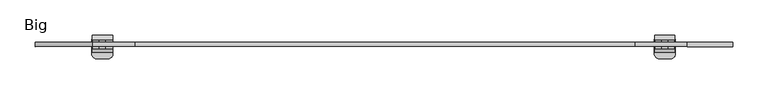
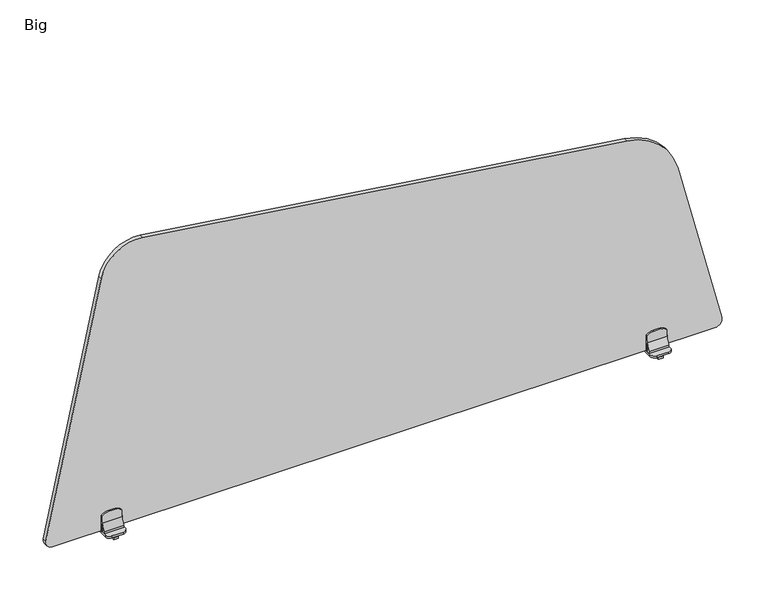
"""IFC4 building model written with IfcOpenShell, lengths in millimetres: furniture geometry, Big."""

from ifc_helpers import new_model, si_unit, point, frame, frame_2d, origin, place, context, project, spatial, polyline, circle_curve, trimmed, segment, composite_curve, outline, extrude, source, transform, mapped, element, save


def big_84f01187(model_context):
    return source(origin(), model_context, "Body", "SweptSolid", [
        extrude(outline(composite_curve([segment(polyline([(1219.089365, 352.8879495), (1318.1331868, -358.9076288)]), True, "CONTINUOUS"), segment(trimmed(circle_curve(frame_2d((1263.6580253, -366.4876537)), 55.0), [point((1318.1331868, -358.9076288))], [point((1275.1791226, -420.2674298))], False, "CARTESIAN"), True, "CONTINUOUS"), segment(polyline([(1275.1791226, -420.2674298), (895.5092393, -501.6030911)]), True, "CONTINUOUS"), segment(trimmed(circle_curve(frame_2d((893.4144944, -491.82495)), 10.0), [point((895.5092393, -501.6030911))], [point((883.4144944, -491.824876))], False, "CARTESIAN"), True, "CONTINUOUS"), segment(polyline([(883.4144944, -491.824876), (883.4217084, 483.0511915)]), True, "CONTINUOUS"), segment(trimmed(circle_curve(frame_2d((893.4217084, 483.0511175)), 10.0), [point((883.4217084, 483.0511915))], [point((895.8817167, 492.7438136))], False, "CARTESIAN"), True, "CONTINUOUS"), segment(polyline([(895.8817167, 492.7438136), (1152.0882663, 427.718538)]), True, "CONTINUOUS"), segment(trimmed(circle_curve(frame_2d((1129.9481916, 340.4842725)), 90.0), [point((1152.0882663, 427.718538))], [point((1219.089365, 352.8879495))], False, "CARTESIAN"), True, "CONTINUOUS")], self_intersect=False)), frame((0.0, -28.4898924, 0.0), z_axis=(0.0, 1.0, 0.0), x_axis=(0.0, 0.0, 1.0)), (0.0, 0.0, 1.0), 6.0025633),
        extrude(outline(composite_curve([segment(trimmed(circle_curve(frame_2d((897.1869989, 400.4004128)), 14.2267735), [point((907.377178, 410.3282189))], [point((911.4137724, 400.4004128))], False, "CARTESIAN"), True, "CONTINUOUS"), segment(polyline([(911.4137724, 400.4004128), (911.4137724, 391.2050984)]), True, "CONTINUOUS"), segment(trimmed(circle_curve(frame_2d((896.9968668, 391.2050984)), 14.4169056), [point((911.4137724, 391.2050984))], [point((907.4675743, 381.2949293))], False, "CARTESIAN"), True, "CONTINUOUS"), segment(polyline([(907.4675743, 381.2949293), (883.4201418, 380.8608905), (883.4201418, 410.7463905), (907.377178, 410.3282189)]), True, "CONTINUOUS")], self_intersect=False)), frame((0.0, -22.4873291, 0.0), z_axis=(0.0, 1.0, 0.0), x_axis=(0.0, 0.0, 1.0)), (0.0, 0.0, 1.0), 2.999334),
        extrude(outline(composite_curve([segment(trimmed(circle_curve(frame_2d((897.1869989, 400.4004128)), 14.2267735), [point((907.377178, 410.3282189))], [point((911.4137724, 400.4004128))], False, "CARTESIAN"), True, "CONTINUOUS"), segment(polyline([(911.4137724, 400.4004128), (911.4137724, 391.2050984)]), True, "CONTINUOUS"), segment(trimmed(circle_curve(frame_2d((896.9968668, 391.2050984)), 14.4169056), [point((911.4137724, 391.2050984))], [point((907.4675743, 381.2949293))], False, "CARTESIAN"), True, "CONTINUOUS"), segment(polyline([(907.4675743, 381.2949293), (883.4201418, 380.8608905), (883.4201418, 410.7463905), (907.377178, 410.3282189)]), True, "CONTINUOUS")], self_intersect=False)), frame((0.0, -31.4873291, 0.0), z_axis=(0.0, 1.0, 0.0), x_axis=(0.0, 0.0, 1.0)), (0.0, 0.0, 1.0), 2.9974367),
        extrude(outline(composite_curve([segment(polyline([(-31.4729248, 883.4201418), (-36.5211722, 883.4201418), (-36.5211722, 886.6703705)]), True, "CONTINUOUS"), segment(trimmed(circle_curve(frame_2d((-54.8344291, 901.1750078)), 23.3615043), [point((-36.5211722, 886.6703705))], [point((-31.4729248, 901.1750078))], True, "CARTESIAN"), True, "CONTINUOUS"), segment(polyline([(-31.4729248, 901.1750078), (-31.4729248, 883.4201418)]), True, "CONTINUOUS")], self_intersect=False)), frame((381.2441512, 0.0, 0.0), z_axis=(1.0, 0.0, 0.0), x_axis=(0.0, 1.0, 0.0)), (0.0, 0.0, 1.0), 29.1132847),
        extrude(outline(composite_curve([segment(polyline([(-19.6398607, 883.4201418), (-19.6398607, 901.1750078)]), True, "CONTINUOUS"), segment(trimmed(circle_curve(frame_2d((1.0059606, 901.1750078)), 20.6458213), [point((-19.6398607, 901.1750078))], [point((-12.2649175, 885.3593912))], True, "CARTESIAN"), True, "CONTINUOUS"), segment(polyline([(-12.2649175, 885.3593912), (-12.2649175, 883.4201418), (-19.6398607, 883.4201418)]), True, "CONTINUOUS")], self_intersect=False)), frame((381.2441512, 0.0, 0.0), z_axis=(1.0, 0.0, 0.0), x_axis=(0.0, 1.0, 0.0)), (0.0, 0.0, 1.0), 29.1132847),
        extrude(outline(polyline([(-36.5132081, 880.4152285), (-28.476739, 880.4152285), (-28.476739, 875.715806), (-23.8902844, 875.715806), (-23.8902844, 872.7156927), (-41.0846201, 872.7156927), (-41.0846201, 875.715806), (-36.5132081, 875.715806), (-36.5132081, 880.4152285)])), frame((392.3066482, 0.0, 0.0), z_axis=(1.0, 0.0, 0.0), x_axis=(0.0, 1.0, 0.0)), (0.0, 0.0, 1.0), 6.9382188),
        extrude(outline(composite_curve([segment(polyline([(410.7988415, -19.2245738), (410.7988415, -39.5145243)]), True, "CONTINUOUS"), segment(trimmed(circle_curve(frame_2d((404.5962998, -39.5145243)), 6.2025417), [point((410.7988415, -39.5145243))], [point((404.5962998, -45.717066))], False, "CARTESIAN"), True, "CONTINUOUS"), segment(polyline([(404.5962998, -45.717066), (387.7705801, -45.717066)]), True, "CONTINUOUS"), segment(trimmed(circle_curve(frame_2d((387.7705801, -38.7531399)), 6.9639261), [point((387.7705801, -45.717066))], [point((380.806654, -38.7531399))], False, "CARTESIAN"), True, "CONTINUOUS"), segment(polyline([(380.806654, -38.7531399), (380.806654, -18.9642438)]), True, "CONTINUOUS"), segment(trimmed(circle_curve(frame_2d((386.8186947, -18.9642438)), 6.0120407), [point((380.806654, -18.9642438))], [point((385.8544403, -13.0300339))], False, "CARTESIAN"), True, "CONTINUOUS"), segment(trimmed(circle_curve(frame_2d((395.7961419, -74.2132045)), 61.9856257), [point((385.8544403, -13.0300339))], [point((405.4694018, -12.9870187))], False, "CARTESIAN"), True, "CONTINUOUS"), segment(trimmed(circle_curve(frame_2d((404.4839167, -19.2245738)), 6.3149248), [point((405.4694018, -12.9870187))], [point((410.7988415, -19.2245738))], False, "CARTESIAN"), True, "CONTINUOUS")], self_intersect=False)), frame((0.0, 0.0, 880.4152285), z_axis=(0.0, 0.0, 1.0), x_axis=(1.0, 0.0, 0.0)), (0.0, 0.0, 1.0), 3.0049134),
        extrude(outline(composite_curve([segment(polyline([(907.377178, -420.3282189), (883.4201418, -420.7463905), (883.4201418, -390.8608905), (907.4675743, -391.2949293)]), True, "CONTINUOUS"), segment(trimmed(circle_curve(frame_2d((896.9968668, -401.2050984)), 14.4169056), [point((907.4675743, -391.2949293))], [point((911.4137724, -401.2050984))], False, "CARTESIAN"), True, "CONTINUOUS"), segment(polyline([(911.4137724, -401.2050984), (911.4137724, -410.4004128)]), True, "CONTINUOUS"), segment(trimmed(circle_curve(frame_2d((897.1869989, -410.4004128)), 14.2267735), [point((911.4137724, -410.4004128))], [point((907.377178, -420.3282189))], False, "CARTESIAN"), True, "CONTINUOUS")], self_intersect=False)), frame((0.0, -22.4873291, 0.0), z_axis=(0.0, 1.0, 0.0), x_axis=(0.0, 0.0, 1.0)), (0.0, 0.0, 1.0), 2.999334),
        extrude(outline(composite_curve([segment(polyline([(907.377178, -420.3282189), (883.4201418, -420.7463905), (883.4201418, -390.8608905), (907.4675743, -391.2949293)]), True, "CONTINUOUS"), segment(trimmed(circle_curve(frame_2d((896.9968668, -401.2050984)), 14.4169056), [point((907.4675743, -391.2949293))], [point((911.4137724, -401.2050984))], False, "CARTESIAN"), True, "CONTINUOUS"), segment(polyline([(911.4137724, -401.2050984), (911.4137724, -410.4004128)]), True, "CONTINUOUS"), segment(trimmed(circle_curve(frame_2d((897.1869989, -410.4004128)), 14.2267735), [point((911.4137724, -410.4004128))], [point((907.377178, -420.3282189))], False, "CARTESIAN"), True, "CONTINUOUS")], self_intersect=False)), frame((0.0, -31.4873291, 0.0), z_axis=(0.0, 1.0, 0.0), x_axis=(0.0, 0.0, 1.0)), (0.0, 0.0, 1.0), 2.9974367),
        extrude(outline(composite_curve([segment(polyline([(-31.4729248, 883.4201418), (-36.5211722, 883.4201418), (-36.5211722, 886.6703705)]), True, "CONTINUOUS"), segment(trimmed(circle_curve(frame_2d((-54.8344291, 901.1750078)), 23.3615043), [point((-36.5211722, 886.6703705))], [point((-31.4729248, 901.1750078))], True, "CARTESIAN"), True, "CONTINUOUS"), segment(polyline([(-31.4729248, 901.1750078), (-31.4729248, 883.4201418)]), True, "CONTINUOUS")], self_intersect=False)), frame((-420.3574359, 0.0, 0.0), z_axis=(1.0, 0.0, 0.0), x_axis=(0.0, 1.0, 0.0)), (0.0, 0.0, 1.0), 29.1132847),
        extrude(outline(composite_curve([segment(polyline([(-19.6398607, 883.4201418), (-19.6398607, 901.1750078)]), True, "CONTINUOUS"), segment(trimmed(circle_curve(frame_2d((1.0059606, 901.1750078)), 20.6458213), [point((-19.6398607, 901.1750078))], [point((-12.2649175, 885.3593912))], True, "CARTESIAN"), True, "CONTINUOUS"), segment(polyline([(-12.2649175, 885.3593912), (-12.2649175, 883.4201418), (-19.6398607, 883.4201418)]), True, "CONTINUOUS")], self_intersect=False)), frame((-420.3574359, 0.0, 0.0), z_axis=(1.0, 0.0, 0.0), x_axis=(0.0, 1.0, 0.0)), (0.0, 0.0, 1.0), 29.1132847),
        extrude(outline(polyline([(-36.5132081, 880.4152285), (-28.476739, 880.4152285), (-28.476739, 875.715806), (-23.8902844, 875.715806), (-23.8902844, 872.7156927), (-41.0846201, 872.7156927), (-41.0846201, 875.715806), (-36.5132081, 875.715806), (-36.5132081, 880.4152285)])), frame((-409.244867, 0.0, 0.0), z_axis=(1.0, 0.0, 0.0), x_axis=(0.0, 1.0, 0.0)), (0.0, 0.0, 1.0), 6.9382188),
        extrude(outline(composite_curve([segment(trimmed(circle_curve(frame_2d((-414.4839167, -19.2245738)), 6.3149248), [point((-420.7988415, -19.2245738))], [point((-415.4694018, -12.9870187))], False, "CARTESIAN"), True, "CONTINUOUS"), segment(trimmed(circle_curve(frame_2d((-405.7961419, -74.2132045)), 61.9856257), [point((-415.4694018, -12.9870187))], [point((-395.8544403, -13.0300339))], False, "CARTESIAN"), True, "CONTINUOUS"), segment(trimmed(circle_curve(frame_2d((-396.8186947, -18.9642438)), 6.0120407), [point((-395.8544403, -13.0300339))], [point((-390.806654, -18.9642438))], False, "CARTESIAN"), True, "CONTINUOUS"), segment(polyline([(-390.806654, -18.9642438), (-390.806654, -38.7531399)]), True, "CONTINUOUS"), segment(trimmed(circle_curve(frame_2d((-397.7705801, -38.7531399)), 6.9639261), [point((-390.806654, -38.7531399))], [point((-397.7705801, -45.717066))], False, "CARTESIAN"), True, "CONTINUOUS"), segment(polyline([(-397.7705801, -45.717066), (-414.5962998, -45.717066)]), True, "CONTINUOUS"), segment(trimmed(circle_curve(frame_2d((-414.5962998, -39.5145243)), 6.2025417), [point((-414.5962998, -45.717066))], [point((-420.7988415, -39.5145243))], False, "CARTESIAN"), True, "CONTINUOUS"), segment(polyline([(-420.7988415, -39.5145243), (-420.7988415, -19.2245738)]), True, "CONTINUOUS")], self_intersect=False)), frame((0.0, 0.0, 880.4152285), z_axis=(0.0, 0.0, 1.0), x_axis=(1.0, 0.0, 0.0)), (0.0, 0.0, 1.0), 3.0049134),
    ])


if __name__ == "__main__":
    model = new_model("IFC4")
    model_context = context("Model", 3, world=origin())
    ifc_project = project(units=[si_unit("LENGTHUNIT", "METRE", prefix="MILLI")], contexts=[model_context])
    site = spatial("IfcSite", under=ifc_project)
    building = spatial("IfcBuilding", under=site)
    placement = place(None, origin())
    big_shape = big_84f01187(model_context)
    element("IfcFurniture", 1, ObjectType="Big", at=placement, inside=building, context=model_context, shape_type="MappedRepresentation", body=[
        mapped(big_shape, transform((0.0, 0.0, 0.0), x_axis=(1.0, 0.0, 0.0), y_axis=(0.0, 1.0, 0.0), z_axis=(0.0, 0.0, 1.0))),
    ])
    save(model, "model.ifc")
